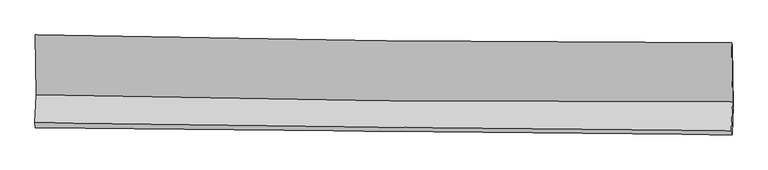
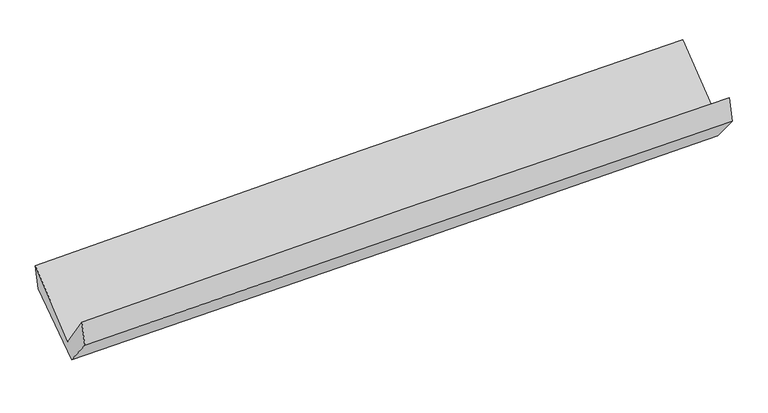
"""IFC4 building model written with IfcOpenShell, lengths in millimetres: proxy geometry."""

from ifc_helpers import new_model, si_unit, frame, origin, place, context, project, spatial, source, transform, mapped, element, save
from ifc_brep_helpers import plane_surface, spline_curve, spline_surface, advanced_brep


def generic_models_bb77fb95(model_context):
    return source(origin(), model_context, "Body", "AdvancedBrep", [
        advanced_brep(
        [(-3022.9328177, -1170.4145527, 2151.6904581), (-3017.0447507, -1688.6024996, 1714.2175549), (3008.5918469, -1750.5450807, 1898.7051102), (3001.3992255, -1238.483274, 2326.0170035), (-3027.4712293, -1931.721653, 2057.0408938), (2998.8329567, -1999.5504588, 2211.5966021), (-3022.9315998, -1971.6053974, 1853.5562111), (3004.0955832, -2033.1492484, 1995.3918807), (-3014.071284, -1744.8143136, 1569.7404485), (3013.3929988, -1785.8991731, 1700.1296472), (-3018.2884474, -1207.4699547, 1944.9055212), (3006.8578916, -1260.5253809, 2105.380347)],
        [
            (0, 1),
            (1, 2, spline_curve(3, [(-3017.0447507, -1688.6024996, 1714.2175549), (-2013.073350346, -1711.798356541, 1761.767458024), (-1008.817525439, -1728.557828092, 1800.918229756), (999.728309991, -1749.19850568, 1862.405143184), (2004.018017445, -1753.086561233, 1884.750223077), (3008.5918469, -1750.5450807, 1898.7051102)], [4, 2, 4], [0.0, 9.891678265791166, 19.778091718319125])),
            (2, 3),
            (3, 0, spline_curve(3, [(3001.3992255, -1238.483274, 2326.0170035), (1997.007436224, -1238.561827816, 2316.62066154), (992.917427989, -1232.93174123, 2297.401760742), (-1015.193574887, -1210.248249156, 2239.303377005), (-2019.214247323, -1193.188762018, 2200.413428868), (-3022.9328177, -1170.4145527, 2151.6904581)], [4, 2, 4], [0.0, 9.88641345252796, 19.778091718319125])),
            (1, 4),
            (4, 5, spline_curve(3, [(-3027.4712293, -1931.721653, 2057.0408938), (-2023.209463405, -1944.20912845, 2095.867769088), (-1018.752832509, -1956.10661416, 2128.162539341), (990.015436851, -1978.715588263, 2179.674157165), (1994.326867971, -1989.427704263, 2198.897956394), (2998.8329567, -1999.5504588, 2211.5966021)], [4, 2, 4], [0.0, 9.892570460915156, 19.779875633699184])),
            (5, 2),
            (4, 6),
            (6, 7, spline_curve(3, [(-3022.9315998, -1971.6053974, 1853.5562111), (-2018.32067055, -1983.89972332, 1880.420457731), (-1013.629222662, -1995.176635257, 1905.674937795), (995.379923883, -2015.690169359, 1952.951781384), (1999.697536976, -2024.92787486, 1974.975857681), (3004.0955832, -2033.1492484, 1995.3918807)], [4, 2, 4], [0.0, 9.892536981231396, 19.779808692151114])),
            (7, 5),
            (6, 8),
            (8, 9, spline_curve(3, [(-3014.071284, -1744.8143136, 1569.7404485), (-2009.15309836, -1750.818072249, 1586.305352906), (-1004.271618586, -1757.244713551, 1605.457152249), (1004.883103456, -1770.940117013, 1648.922971602), (2009.156384435, -1778.208428652, 1673.234238326), (3013.3929988, -1785.8991731, 1700.1296472)], [4, 2, 4], [0.0, 9.892727776349908, 19.780190180838062])),
            (9, 7),
            (8, 10),
            (10, 11, spline_curve(3, [(-3018.2884474, -1207.4699547, 1944.9055212), (-2013.973235, -1222.012941253, 1974.344289944), (-1009.586426709, -1233.706138803, 2002.439778996), (998.795762222, -1251.388247922, 2055.929958029), (2002.791067077, -1257.380192645, 2081.326077909), (3006.8578916, -1260.5253809, 2105.380347)], [4, 2, 4], [0.0, 9.891494240688234, 19.777723766060017])),
            (11, 9),
            (10, 0),
            (3, 11),
        ],
        [
            spline_surface(3, 3, [[(-3022.9328177, -1170.4145527, 2151.6904581), (-2019.214247414, -1193.188761887, 2200.413429003), (-1015.193574738, -1210.248249143, 2239.303376854), (992.91742784, -1232.931741243, 2297.401760893), (1997.007436209, -1238.561827757, 2316.620661558), (3001.3992255, -1238.483274, 2326.0170035)], [(-3020.970128709, -1343.143868312, 2005.866157017), (-2017.167281681, -1366.058626799, 2054.198105345), (-1013.068224933, -1383.018108829, 2093.174994517), (995.187721864, -1405.020662686, 2152.402888318), (1999.344296651, -1410.070072185, 2172.663848771), (3003.796765961, -1409.170542887, 2183.579705742)], [(-3019.007439691, -1515.873183988, 1860.041855983), (-2015.120315921, -1538.928491774, 1907.982781737), (-1010.942875146, -1555.787968514, 1947.046612144), (997.458015869, -1577.109584128, 2007.404015708), (2001.68115711, -1581.578316652, 2028.707035959), (3006.194306439, -1579.857811813, 2041.142407958)], [(-3017.0447507, -1688.6024996, 1714.2175549), (-2013.073350188, -1711.798356686, 1761.767458079), (-1008.817525341, -1728.5578282, 1800.918229807), (999.728309893, -1749.198505572, 1862.405143133), (2004.018017553, -1753.08656108, 1884.750223172), (3008.5918469, -1750.5450807, 1898.7051102)]], [4, 4], [4, 2, 4], [0.0, 2.2211329741865997], [0.0, 9.891678265791166, 19.778091718319125]),
            spline_surface(3, 3, [[(-3017.0447507, -1688.6024996, 1714.2175549), (-2013.073350188, -1711.798356686, 1761.767458079), (-1008.817525341, -1728.5578282, 1800.918229807), (999.728309893, -1749.198505572, 1862.405143133), (2004.018017553, -1753.08656108, 1884.750223172), (3008.5918469, -1750.5450807, 1898.7051102)], [(-3020.520243561, -1769.642217423, 1828.492001215), (-2016.452054593, -1789.268613937, 1873.134228448), (-1012.129294403, -1804.407423549, 1909.999666304), (996.490685553, -1825.704199811, 1968.161481157), (2000.787634362, -1831.866942179, 1989.466134291), (3005.338883516, -1833.546873399, 2003.002274187)], [(-3023.995736439, -1850.681935177, 1942.766447485), (-2019.830759015, -1866.738871118, 1984.500998772), (-1015.441063468, -1880.257018841, 2019.081102803), (993.253061211, -1902.209893993, 2073.917819183), (1997.557251124, -1910.647323281, 2094.18204535), (3002.085920084, -1916.548666101, 2107.299438113)], [(-3027.4712293, -1931.721653, 2057.0408938), (-2023.20946342, -1944.209128368, 2095.867769141), (-1018.75283253, -1956.10661419, 2128.1625393), (990.015436871, -1978.715588232, 2179.674157206), (1994.326867934, -1989.42770438, 2198.89795647), (2998.8329567, -1999.5504588, 2211.5966021)]], [4, 4], [4, 2, 4], [0.0, 1.2965530789051924], [0.0, 9.892570460915156, 19.779875633699184]),
            spline_surface(3, 3, [[(-3027.4712293, -1931.721653, 2057.0408938), (-2023.20946342, -1944.209128368, 2095.867769141), (-1018.75283253, -1956.10661419, 2128.1625393), (990.015436871, -1978.715588232, 2179.674157206), (1994.326867934, -1989.42770438, 2198.89795647), (2998.8329567, -1999.5504588, 2211.5966021)], [(-3025.95801946, -1945.016234457, 1989.212666242), (-2021.579865816, -1957.439326717, 2024.051998634), (-1017.044962594, -1969.12995452, 2054.000005501), (991.803599235, -1991.040448633, 2104.100031897), (1996.117090956, -2001.261094494, 2124.257256806), (3000.587165511, -2010.750055339, 2139.528361605)], [(-3024.44480964, -1958.310815943, 1921.384438658), (-2019.950268231, -1970.669525095, 1952.236228102), (-1015.337092667, -1982.15329485, 1979.837471701), (993.591761589, -2003.365309034, 2028.525906586), (1997.907314044, -2013.094484591, 2049.616557227), (3002.341374389, -2021.949651861, 2067.460121195)], [(-3022.9315998, -1971.6053974, 1853.5562111), (-2018.320670628, -1983.899723445, 1880.420457595), (-1013.629222731, -1995.176635181, 1905.674937903), (995.379923953, -2015.690169435, 1952.951781276), (1999.697537065, -2024.927874705, 1974.975857563), (3004.0955832, -2033.1492484, 1995.3918807)]], [4, 4], [4, 2, 4], [0.0, 0.7475718303536286], [0.0, 9.892536981231396, 19.779808692151114]),
            spline_surface(3, 3, [[(-3022.9315998, -1971.6053974, 1853.5562111), (-2018.320670628, -1983.899723445, 1880.420457595), (-1013.629222731, -1995.176635181, 1905.674937903), (995.379923953, -2015.690169435, 1952.951781276), (1999.697537065, -2024.927874705, 1974.975857563), (3004.0955832, -2033.1492484, 1995.3918807)], [(-3019.978161195, -1896.008369461, 1758.950956876), (-2015.264813157, -1906.205839688, 1782.382089296), (-1010.510021334, -1915.865994684, 1805.602342683), (998.547650411, -1934.106818591, 1851.608844678), (2002.850486241, -1942.688059328, 1874.395317798), (3007.194721738, -1950.732556641, 1896.971136212)], [(-3017.024722605, -1820.411341539, 1664.345702724), (-2012.208955703, -1828.511955948, 1684.34372107), (-1007.390819895, -1836.555354172, 1705.529747526), (1001.71537691, -1852.523467732, 1750.265908143), (2006.003435401, -1860.448243928, 1773.814777997), (3010.293860262, -1868.315864859, 1798.550391688)], [(-3014.071284, -1744.8143136, 1569.7404485), (-2009.153098232, -1750.818072192, 1586.305352771), (-1004.271618498, -1757.244713675, 1605.457152306), (1004.883103368, -1770.940116888, 1648.922971545), (2009.156384577, -1778.208428551, 1673.234238232), (3013.3929988, -1785.8991731, 1700.1296472)]], [4, 4], [4, 2, 4], [0.0, 1.269016830632495], [0.0, 9.892727776349908, 19.780190180838062]),
            spline_surface(3, 3, [[(-3014.071284, -1744.8143136, 1569.7404485), (-2009.153098232, -1750.818072192, 1586.305352771), (-1004.271618498, -1757.244713675, 1605.457152306), (1004.883103368, -1770.940116888, 1648.922971545), (2009.156384577, -1778.208428551, 1673.234238232), (3013.3929988, -1785.8991731, 1700.1296472)], [(-3015.477005134, -1565.699527303, 1694.795472741), (-2010.75981054, -1574.549695252, 1715.651665215), (-1006.043221251, -1582.731855357, 1737.784694538), (1002.853989728, -1597.756160596, 1784.591967049), (2007.034612078, -1604.599016601, 1809.264851396), (3011.214629751, -1610.774575693, 1835.213213787)], [(-3016.882726266, -1386.584740997, 1819.850496959), (-2012.366522846, -1398.281318304, 1844.997977637), (-1007.814824093, -1408.218997035, 1870.112236754), (1000.824876, -1424.572204301, 1920.260962536), (2004.912839525, -1430.989604673, 1945.295464599), (3009.036260649, -1435.649978307, 1970.296780413)], [(-3018.2884474, -1207.4699547, 1944.9055212), (-2013.973235154, -1222.012941364, 1974.344290081), (-1009.586426846, -1233.706138716, 2002.439778986), (998.79576236, -1251.388248009, 2055.929958039), (2002.791067026, -1257.380192722, 2081.326077763), (3006.8578916, -1260.5253809, 2105.380347)]], [4, 4], [4, 2, 4], [0.0, 2.160479043456573], [0.0, 9.891494240688234, 19.777723766060017]),
            spline_surface(3, 3, [[(-3018.2884474, -1207.4699547, 1944.9055212), (-2013.973235154, -1222.012941364, 1974.344290081), (-1009.586426846, -1233.706138716, 2002.439778986), (998.79576236, -1251.388248009, 2055.929958039), (2002.791067026, -1257.380192722, 2081.326077763), (3006.8578916, -1260.5253809, 2105.380347)], [(-3019.836570841, -1195.118154043, 2013.83383351), (-2015.720239249, -1212.404881548, 2049.700669732), (-1011.455476169, -1225.886842166, 2081.394311613), (996.836317494, -1245.236079061, 2136.420558995), (2000.863190076, -1251.107404408, 2159.757605695), (3005.038336222, -1253.178011941, 2178.925899167)], [(-3021.384694259, -1182.766353357, 2082.76214579), (-2017.46724332, -1202.796821703, 2125.057049352), (-1013.324525415, -1218.067545693, 2160.348844227), (994.876872706, -1239.08391019, 2216.911159938), (1998.935313159, -1244.834616072, 2238.189133626), (3003.218780878, -1245.830642959, 2252.471451333)], [(-3022.9328177, -1170.4145527, 2151.6904581), (-2019.214247414, -1193.188761887, 2200.413429003), (-1015.193574738, -1210.248249143, 2239.303376854), (992.91742784, -1232.931741243, 2297.401760893), (1997.007436209, -1238.561827757, 2316.620661558), (3001.3992255, -1238.483274, 2326.0170035)]], [4, 4], [4, 2, 4], [0.0, 0.7878992816331325], [0.0, 9.890289717204869, 19.775315360196956]),
            plane_surface(frame((3005.5284171, -1678.025436, 2039.5367651), z_axis=(0.9996501662723142, -0.007197091447538491, 0.025450873195839926), x_axis=(-0.009848816857726903, 0.7917712970330341, 0.6107382532649565))),
            plane_surface(frame((-3020.4566882, -1619.1047285, 1881.8585146), z_axis=(-0.9996705385760746, 0.008950186318376333, -0.02405636023772936), x_axis=(0.022102350165951204, -0.17634499680449536, -0.9840802448068776))),
        ],
        [
            (0, [[1, 2, 3, 4]]),
            (1, [[5, 6, 7, -2]]),
            (2, [[8, 9, 10, -6]]),
            (3, [[11, 12, 13, -9]]),
            (4, [[14, 15, 16, -12]]),
            (5, [[17, -4, 18, -15]]),
            (6, [[-16, -18, -3, -7, -10, -13]]),
            (7, [[-17, -14, -11, -8, -5, -1]]),
        ],
    ),
    ])


if __name__ == "__main__":
    model = new_model("IFC4")
    model_context = context("Model", 3, world=origin())
    ifc_project = project(units=[si_unit("LENGTHUNIT", "METRE", prefix="MILLI")], contexts=[model_context])
    site = spatial("IfcSite", under=ifc_project)
    building = spatial("IfcBuilding", under=site)
    placement = place(None, origin())
    generic_models_shape = generic_models_bb77fb95(model_context)
    element("IfcBuildingElementProxy", 1, Name="Generic Models", at=placement, inside=building, context=model_context, shape_type="MappedRepresentation", body=[
        mapped(generic_models_shape, transform((0.0, 0.0, 0.0), x_axis=(1.0, 0.0, 0.0), y_axis=(0.0, 1.0, 0.0), z_axis=(0.0, 0.0, 1.0))),
    ])
    save(model, "model.ifc")
